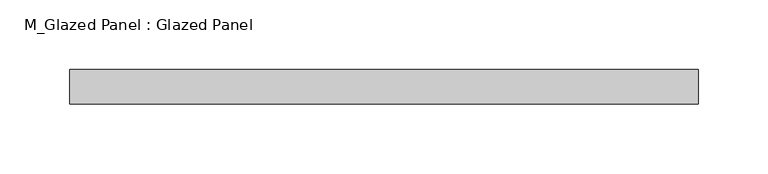
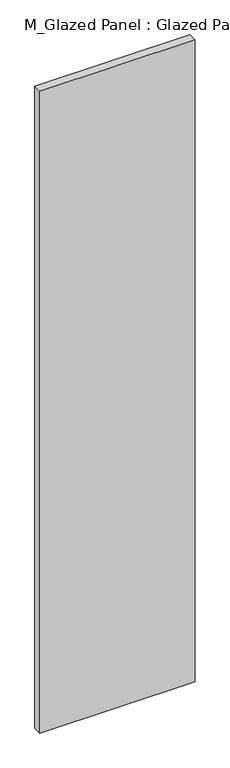
"""IFC4 building model written with IfcOpenShell, lengths in millimetres: plate geometry, M_Glazed Panel : Glazed Panel."""

from ifc_helpers import new_model, si_unit, origin, origin_with_axes, place, context, project, spatial, polyline, outline, extrude, source, transform, mapped, element, save


def m_glazed_panel_glazed_panel_379573aa(model_context):
    return source(origin(), model_context, "Body", "SweptSolid", [
        extrude(outline(polyline([(226.1967725, -38.5), (226.1967725, -63.5), (-226.1967725, -63.5), (-226.1967725, -38.5), (226.1967725, -38.5)])), origin_with_axes(), (0.0, 0.0, 1.0), 1975.0),
    ])


if __name__ == "__main__":
    model = new_model("IFC4")
    model_context = context("Model", 3, world=origin())
    ifc_project = project(units=[si_unit("LENGTHUNIT", "METRE", prefix="MILLI")], contexts=[model_context])
    site = spatial("IfcSite", under=ifc_project)
    building = spatial("IfcBuilding", under=site)
    placement = place(None, origin())
    m_glazed_panel_glazed_panel_shape = m_glazed_panel_glazed_panel_379573aa(model_context)
    element("IfcPlate", 1, ObjectType="M_Glazed Panel : Glazed Panel", at=placement, inside=building, context=model_context, shape_type="MappedRepresentation", body=[
        mapped(m_glazed_panel_glazed_panel_shape, transform((0.0, 0.0, 0.0), x_axis=(1.0, 0.0, 0.0), y_axis=(0.0, 1.0, 0.0), z_axis=(0.0, 0.0, 1.0))),
    ])
    save(model, "model.ifc")
